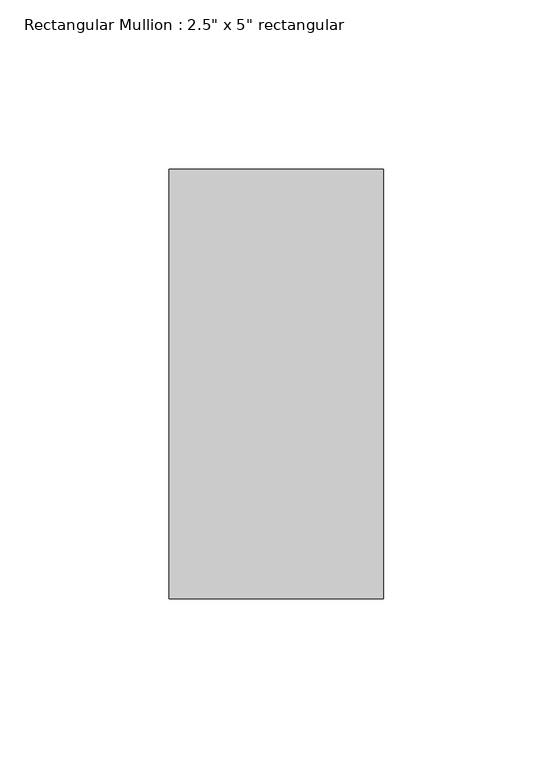
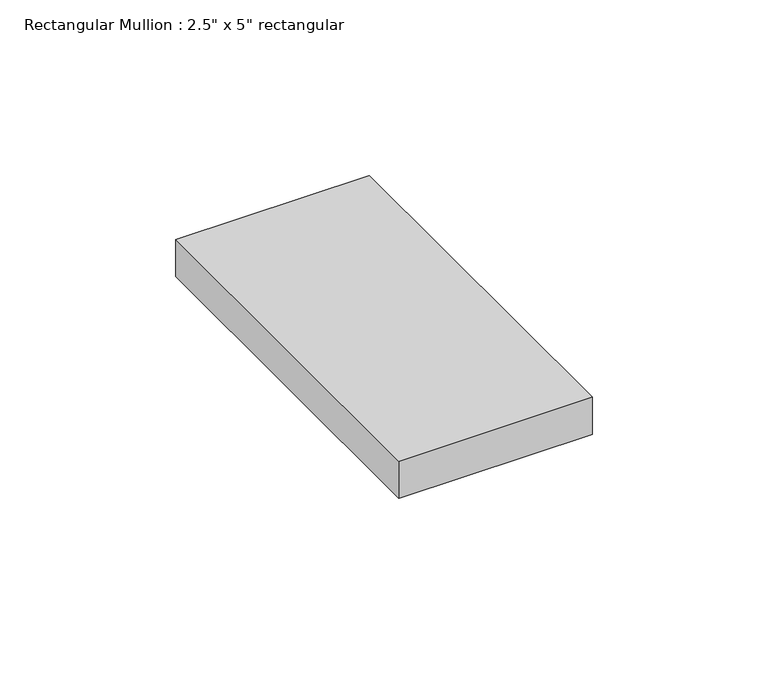
"""IFC4 building model written with IfcOpenShell, lengths in millimetres: member geometry."""

from ifc_helpers import new_model, si_unit, frame, origin, place, context, project, spatial, polyline, outline, extrude, source, transform, mapped, element, save


def member_e4b20e49(model_context):
    return source(origin(), model_context, "Body", "SweptSolid", [
        extrude(outline(polyline([(31.75, 63.5), (31.75, -63.5), (-31.75, -63.5), (-31.75, 63.5), (31.75, 63.5)])), frame((0.0, 0.0, -12.8858382), z_axis=(0.0, 0.0, 1.0), x_axis=(1.0, 0.0, 0.0)), (0.0, 0.0, 1.0), 12.8858382),
    ])


if __name__ == "__main__":
    model = new_model("IFC4")
    model_context = context("Model", 3, world=origin())
    ifc_project = project(units=[si_unit("LENGTHUNIT", "METRE", prefix="MILLI")], contexts=[model_context])
    site = spatial("IfcSite", under=ifc_project)
    building = spatial("IfcBuilding", under=site)
    placement = place(None, origin())
    member_shape = member_e4b20e49(model_context)
    element("IfcMember", 1, ObjectType="Rectangular Mullion : 2.5\" x 5\" rectangular", at=placement, inside=building, context=model_context, shape_type="MappedRepresentation", body=[
        mapped(member_shape, transform((0.0, 0.0, 0.0), x_axis=(1.0, 0.0, 0.0), y_axis=(0.0, 1.0, 0.0), z_axis=(0.0, 0.0, 1.0))),
    ])
    save(model, "model.ifc")
